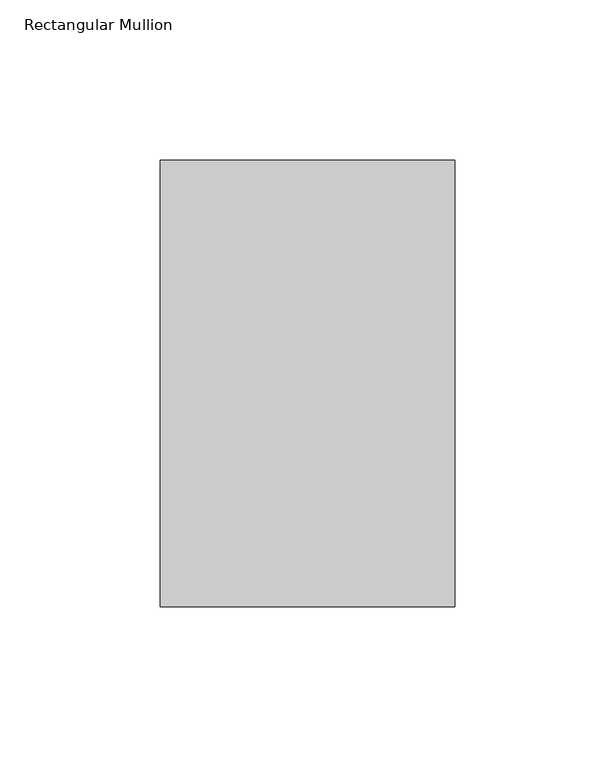
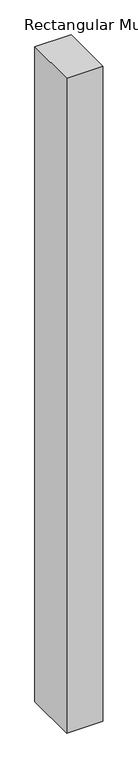
"""IFC4 building model written with IfcOpenShell, lengths in millimetres: member geometry, Rectangular Mullion."""

from ifc_helpers import new_model, si_unit, frame, origin, place, context, project, spatial, polyline, outline, extrude, source, transform, mapped, element, save


def rectangular_mullion_bcefde38(model_context):
    return source(origin(), model_context, "Body", "SweptSolid", [
        extrude(outline(polyline([(0.0, 190.4182179), (0.0, 50.8198168), (-92.0626246, 50.8198168), (-92.0626246, 190.4182179), (0.0, 190.4182179)])), frame((0.0, 0.0, -1765.3), z_axis=(0.0, 0.0, 1.0), x_axis=(1.0, 0.0, 0.0)), (0.0, 0.0, 1.0), 1765.3),
    ])


if __name__ == "__main__":
    model = new_model("IFC4")
    model_context = context("Model", 3, world=origin())
    ifc_project = project(units=[si_unit("LENGTHUNIT", "METRE", prefix="MILLI")], contexts=[model_context])
    site = spatial("IfcSite", under=ifc_project)
    building = spatial("IfcBuilding", under=site)
    placement = place(None, origin())
    rectangular_mullion_shape = rectangular_mullion_bcefde38(model_context)
    element("IfcMember", 1, ObjectType="Rectangular Mullion", at=placement, inside=building, context=model_context, shape_type="MappedRepresentation", body=[
        mapped(rectangular_mullion_shape, transform((0.0, 0.0, 0.0), x_axis=(1.0, 0.0, 0.0), y_axis=(0.0, 1.0, 0.0), z_axis=(0.0, 0.0, 1.0))),
    ])
    save(model, "model.ifc")
